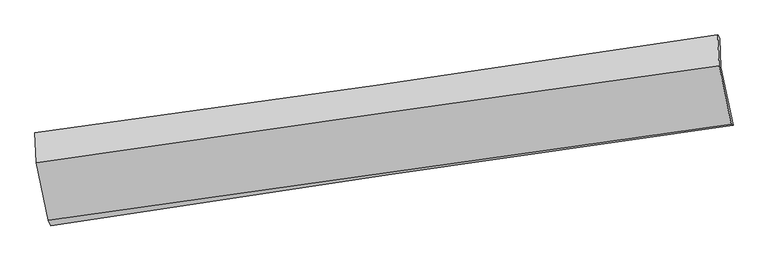
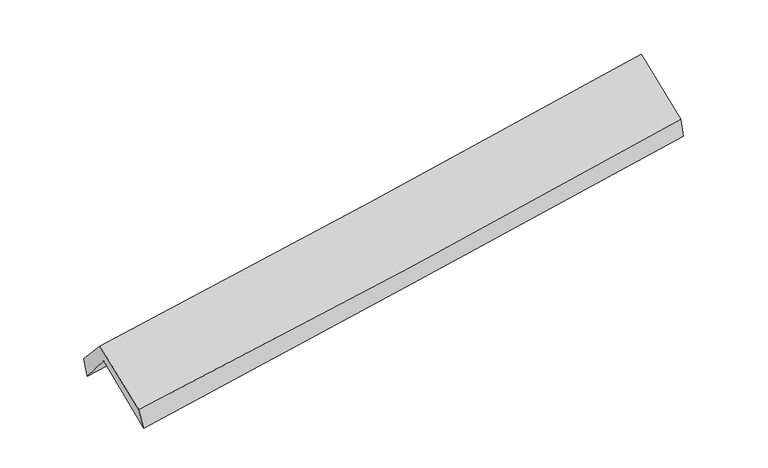
"""IFC4 building model written with IfcOpenShell, lengths in millimetres: proxy geometry."""

from ifc_helpers import new_model, si_unit, frame, origin, place, context, project, spatial, source, transform, mapped, element, save
from ifc_brep_helpers import plane_surface, spline_curve, spline_surface, advanced_brep


def generic_models_9a6eaaac(model_context):
    return source(origin(), model_context, "Body", "AdvancedBrep", [
        advanced_brep(
        [(-2904.0075164, -2530.0968656, 1449.6486574), (-3012.351722, -2016.3344821, 1894.6965434), (2949.8071318, -1147.4214729, 2381.031536), (3055.978856, -1653.8910122, 1950.0072068), (-3023.1076954, -1749.9401302, 1573.8326574), (2939.3153395, -892.0424994, 2075.6283486), (-3041.7138655, -1720.6324593, 1750.1231721), (2922.0397315, -864.2403421, 2238.3114926), (-3028.9142596, -1980.309113, 2034.7830199), (2933.3855443, -1133.3883097, 2556.6789766), (-2924.918731, -2482.5788065, 1623.0694141), (3039.3324651, -1644.9440251, 2137.0048886)],
        [
            (0, 1),
            (1, 2, spline_curve(3, [(-3012.351722, -2016.3344821, 1894.6965434), (-2017.669358191, -1872.833606522, 1966.159843017), (-1023.489106738, -1728.674856003, 2042.418723702), (963.897208394, -1439.037225775, 2204.530097959), (1957.103241242, -1293.558306987, 2290.382881229), (2949.8071318, -1147.4214729, 2381.031536)], [4, 2, 4], [0.0, 9.915950857252797, 19.83220144741424])),
            (2, 3),
            (3, 0, spline_curve(3, [(3055.978856, -1653.8910122, 1950.0072068), (2062.514544046, -1791.862808525, 1854.755218942), (1069.109351496, -1933.867025323, 1765.432138854), (-917.552768985, -2225.93588711, 1598.646314055), (-1910.809700664, -2376.000287843, 1521.183211057), (-2904.0075164, -2530.0968656, 1449.6486574)], [4, 2, 4], [0.0, 9.916250590161441, 19.83220144741424])),
            (1, 4),
            (4, 5, spline_curve(3, [(-3023.1076954, -1749.9401302, 1573.8326574), (-2027.4339227, -1609.240008852, 1638.002607041), (-1032.735944854, -1467.39957639, 1711.903110657), (954.738459241, -1181.433768681, 1879.167752688), (1947.514826264, -1037.308323781, 1972.532479588), (2939.3153395, -892.0424994, 2075.6283486)], [4, 2, 4], [0.0, 9.915971459478998, 19.832242652489388])),
            (5, 2),
            (4, 6),
            (6, 7, spline_curve(3, [(-3041.7138655, -1720.6324593, 1750.1231721), (-2045.774402206, -1586.536013817, 1822.258467389), (-1050.832700179, -1448.122924873, 1899.007790542), (937.08522607, -1162.659146785, 2061.736951457), (1930.061389354, -1015.608196464, 2147.717068726), (2922.0397315, -864.2403421, 2238.3114926)], [4, 2, 4], [0.0, 9.915952530899807, 19.832204794758844])),
            (7, 5),
            (6, 8),
            (8, 9, spline_curve(3, [(-3028.9142596, -1980.309113, 2034.7830199), (-2034.366574285, -1835.175742484, 2105.115137513), (-1040.241917534, -1692.033360278, 2183.771743123), (947.1913761, -1409.726305489, 2357.736558685), (1940.499987337, -1270.561753292, 2453.045272316), (2933.3855443, -1133.3883097, 2556.6789766)], [4, 2, 4], [0.0, 9.915865148027978, 19.832030026373836])),
            (9, 7),
            (8, 10),
            (10, 11, spline_curve(3, [(-2924.918731, -2482.5788065, 1623.0694141), (-1929.390403618, -2342.112328673, 1689.401699489), (-934.612807158, -2202.077239683, 1765.395004929), (1053.470970155, -1922.865619667, 1936.706245574), (2046.77710584, -1783.689115096, 2032.024764883), (3039.3324651, -1644.9440251, 2137.0048886)], [4, 2, 4], [0.0, 9.916088937385611, 19.832477611853662])),
            (11, 9),
            (10, 0),
            (3, 11),
        ],
        [
            spline_surface(3, 3, [[(-2904.0075164, -2530.0968656, 1449.6486574), (-1910.809700687, -2376.000287792, 1521.183211211), (-917.552769016, -2225.935887001, 1598.646314099), (1069.109351527, -1933.867025432, 1765.43213881), (2062.514544022, -1791.862808425, 1854.755219072), (3055.978856, -1653.8910122, 1950.0072068)], [(-2940.12225161, -2358.842737778, 1597.997952728), (-1946.42958653, -2208.278060759, 1669.508755101), (-952.864881553, -2060.182209933, 1746.570450622), (1034.038637123, -1768.923758901, 1911.79812519), (2027.377443138, -1625.76130795, 1999.964439847), (3020.588281263, -1485.067832445, 2093.681983208)], [(-2976.23698679, -2187.588609922, 1746.347248072), (-1982.049472343, -2040.555833691, 1817.834299007), (-988.176994107, -1894.428532937, 1894.494587166), (998.967922704, -1603.980492439, 2058.164111592), (1992.240342266, -1459.65980744, 2145.173660598), (2985.197706537, -1316.244652655, 2237.356759592)], [(-3012.351722, -2016.3344821, 1894.6965434), (-2017.669358185, -1872.833606658, 1966.159842897), (-1023.489106644, -1728.67485587, 2042.418723688), (963.8972083, -1439.037225908, 2204.530097973), (1957.103241381, -1293.558306964, 2290.382881373), (2949.8071318, -1147.4214729, 2381.031536)]], [4, 4], [4, 2, 4], [0.0, 2.20591508951566], [0.0, 9.915950857252797, 19.83220144741424]),
            spline_surface(3, 3, [[(-3012.351722, -2016.3344821, 1894.6965434), (-2017.669358185, -1872.833606658, 1966.159842897), (-1023.489106644, -1728.67485587, 2042.418723688), (963.8972083, -1439.037225908, 2204.530097973), (1957.103241381, -1293.558306964, 2290.382881373), (2949.8071318, -1147.4214729, 2381.031536)], [(-3015.937046465, -1927.536364794, 1787.741914731), (-2020.924213022, -1784.969074021, 1856.774097652), (-1026.571386028, -1641.583096106, 1932.246852653), (960.844291917, -1353.169406795, 2096.075982891), (1953.907102999, -1208.141645908, 2184.432747484), (2946.309867697, -1062.295148382, 2279.230473538)], [(-3019.522370935, -1838.738247506, 1680.787286069), (-2024.179067863, -1697.104541402, 1747.388352414), (-1029.653665395, -1554.491336303, 1822.074981635), (957.791375549, -1267.301587644, 1987.621867827), (1950.710964624, -1122.724984906, 2078.482613579), (2942.812603603, -977.168823918, 2177.429411062)], [(-3023.1076954, -1749.9401302, 1573.8326574), (-2027.433922699, -1609.240008766, 1638.002607169), (-1032.735944778, -1467.39957654, 1711.9031106), (954.738459165, -1181.433768531, 1879.167752745), (1947.514826242, -1037.30832385, 1972.53247969), (2939.3153395, -892.0424994, 2075.6283486)]], [4, 4], [4, 2, 4], [0.0, 1.3722281859428858], [0.0, 9.915971459478998, 19.832242652489388]),
            spline_surface(3, 3, [[(-3023.1076954, -1749.9401302, 1573.8326574), (-2027.433922699, -1609.240008766, 1638.002607169), (-1032.735944778, -1467.39957654, 1711.9031106), (954.738459165, -1181.433768531, 1879.167752745), (1947.514826242, -1037.30832385, 1972.53247969), (2939.3153395, -892.0424994, 2075.6283486)], [(-3029.309752088, -1740.170906569, 1632.59616232), (-2033.547415848, -1601.672010397, 1699.421227226), (-1038.768196546, -1460.974025997, 1774.271337194), (948.854048078, -1175.175561292, 1940.024152363), (1941.697014011, -1030.07494808, 2030.927342687), (2933.556803525, -882.775113652, 2129.856063269)], [(-3035.511808812, -1730.401682931, 1691.35966718), (-2039.660909032, -1594.104012023, 1760.839847222), (-1044.80044828, -1454.548475421, 1836.639563797), (942.969637025, -1168.91735402, 2000.88055199), (1935.879201705, -1022.841572254, 2089.322205677), (2927.798267475, -873.507727848, 2184.083777931)], [(-3041.7138655, -1720.6324593, 1750.1231721), (-2045.774402181, -1586.536013655, 1822.258467279), (-1050.832700047, -1448.122924878, 1899.007790391), (937.085225938, -1162.65914678, 2061.736951608), (1930.061389475, -1015.608196484, 2147.717068674), (2922.0397315, -864.2403421, 2238.3114926)]], [4, 4], [4, 2, 4], [0.0, 0.6124385102763635], [0.0, 9.915952530899807, 19.832204794758844]),
            spline_surface(3, 3, [[(-3041.7138655, -1720.6324593, 1750.1231721), (-2045.774402181, -1586.536013655, 1822.258467279), (-1050.832700047, -1448.122924878, 1899.007790391), (937.085225938, -1162.65914678, 2061.736951608), (1930.061389475, -1015.608196484, 2147.717068674), (2922.0397315, -864.2403421, 2238.3114926)], [(-3037.447330228, -1807.191343855, 1845.009788032), (-2041.971792912, -1669.41592327, 1916.544024055), (-1047.302439206, -1529.426403323, 1993.929107971), (940.453942639, -1245.014866327, 2160.403487322), (1933.540922044, -1100.592715413, 2249.493136491), (2925.821669096, -953.956331293, 2344.433987252)], [(-3033.180794872, -1893.750228445, 1939.896403968), (-2038.169183559, -1752.29583292, 2010.829580834), (-1043.772178341, -1610.729881835, 2088.850425514), (943.822659364, -1327.370585941, 2259.070022999), (1937.020454624, -1185.577234363, 2351.269204351), (2929.603606704, -1043.672320507, 2450.556481948)], [(-3028.9142596, -1980.309113, 2034.7830199), (-2034.366574291, -1835.175742534, 2105.11513761), (-1040.241917499, -1692.033360279, 2183.771743095), (947.191376065, -1409.726305488, 2357.736558713), (1940.499987194, -1270.561753293, 2453.045272167), (2933.3855443, -1133.3883097, 2556.6789766)]], [4, 4], [4, 2, 4], [0.0, 1.2479856989510567], [0.0, 9.915865148027978, 19.832030026373836]),
            spline_surface(3, 3, [[(-3028.9142596, -1980.309113, 2034.7830199), (-2034.366574291, -1835.175742534, 2105.11513761), (-1040.241917499, -1692.033360279, 2183.771743095), (947.191376065, -1409.726305488, 2357.736558713), (1940.499987194, -1270.561753293, 2453.045272167), (2933.3855443, -1133.3883097, 2556.6789766)], [(-2994.249083369, -2147.732344162, 1897.545151274), (-1999.374517375, -2004.154604561, 1966.543991506), (-1005.032214072, -1862.047986749, 2044.312830357), (982.617907443, -1580.772743593, 2217.393121027), (1975.925693407, -1441.604207162, 2312.7051031), (2968.701184571, -1303.906881482, 2416.787613929)], [(-2959.583907231, -2315.155575338, 1760.307282726), (-1964.382460551, -2173.133466603, 1827.97284548), (-969.822510636, -2032.062613148, 1904.853917603), (1018.044438829, -1751.819181628, 2077.049683324), (2011.351399608, -1612.646661085, 2172.364934046), (3004.016824829, -1474.425453318, 2276.896251271)], [(-2924.918731, -2482.5788065, 1623.0694141), (-1929.390403635, -2342.11232863, 1689.401699377), (-934.612807209, -2202.077239617, 1765.395004865), (1053.470970206, -1922.865619733, 1936.706245638), (2046.777105821, -1783.689114954, 2032.024764979), (3039.3324651, -1644.9440251, 2137.0048886)]], [4, 4], [4, 2, 4], [0.0, 2.19866072378099], [0.0, 9.916088937385611, 19.832477611853662]),
            spline_surface(3, 3, [[(-2924.918731, -2482.5788065, 1623.0694141), (-1929.390403635, -2342.11232863, 1689.401699377), (-934.612807209, -2202.077239617, 1765.395004865), (1053.470970206, -1922.865619733, 1936.706245638), (2046.777105821, -1783.689114954, 2032.024764979), (3039.3324651, -1644.9440251, 2137.0048886)], [(-2917.948326139, -2498.418159542, 1565.262495215), (-1923.196835992, -2353.408315026, 1633.328870003), (-928.92612779, -2210.030122077, 1709.812107941), (1058.683764001, -1926.532754965, 1879.614876693), (2052.022918536, -1786.413679458, 1972.934916347), (3044.881262048, -1647.926354146, 2074.672328004)], [(-2910.977921261, -2514.257512558, 1507.455576285), (-1917.003268331, -2364.704301396, 1577.256040585), (-923.239448435, -2217.983004541, 1654.229211023), (1063.896557732, -1930.1998902, 1822.523507754), (2057.268731307, -1789.138243922, 1913.845067704), (3050.430059052, -1650.908683154, 2012.339767396)], [(-2904.0075164, -2530.0968656, 1449.6486574), (-1910.809700687, -2376.000287792, 1521.183211211), (-917.552769016, -2225.935887001, 1598.646314099), (1069.109351527, -1933.867025432, 1765.43213881), (2062.514544022, -1791.862808425, 1854.755219072), (3055.978856, -1653.8910122, 1950.0072068)]], [4, 4], [4, 2, 4], [0.0, 0.5600151626059185], [0.0, 9.91601351634609, 19.83232676749484]),
            plane_surface(frame((2973.3098447, -1222.6546102, 2223.1104082), z_axis=(0.9871250980864361, 0.13775802165754517, 0.08128202874463313), x_axis=(0.15810502021720757, -0.7633966716233526, -0.6262813459911638))),
            plane_surface(frame((-2989.168965, -2079.9819761, 1721.0255774), z_axis=(-0.9871250980863815, -0.13775802165566392, -0.08128202874848432), x_axis=(-0.11551569983141532, 0.26249464529517014, 0.9579940940756478))),
        ],
        [
            (0, [[1, 2, 3, 4]]),
            (1, [[5, 6, 7, -2]]),
            (2, [[8, 9, 10, -6]]),
            (3, [[11, 12, 13, -9]]),
            (4, [[14, 15, 16, -12]]),
            (5, [[17, -4, 18, -15]]),
            (6, [[-16, -18, -3, -7, -10, -13]]),
            (7, [[-17, -14, -11, -8, -5, -1]]),
        ],
    ),
    ])


if __name__ == "__main__":
    model = new_model("IFC4")
    model_context = context("Model", 3, world=origin())
    ifc_project = project(units=[si_unit("LENGTHUNIT", "METRE", prefix="MILLI")], contexts=[model_context])
    site = spatial("IfcSite", under=ifc_project)
    building = spatial("IfcBuilding", under=site)
    placement = place(None, origin())
    generic_models_shape = generic_models_9a6eaaac(model_context)
    element("IfcBuildingElementProxy", 1, Name="Generic Models", at=placement, inside=building, context=model_context, shape_type="MappedRepresentation", body=[
        mapped(generic_models_shape, transform((0.0, 0.0, 0.0), x_axis=(1.0, 0.0, 0.0), y_axis=(0.0, 1.0, 0.0), z_axis=(0.0, 0.0, 1.0))),
    ])
    save(model, "model.ifc")
